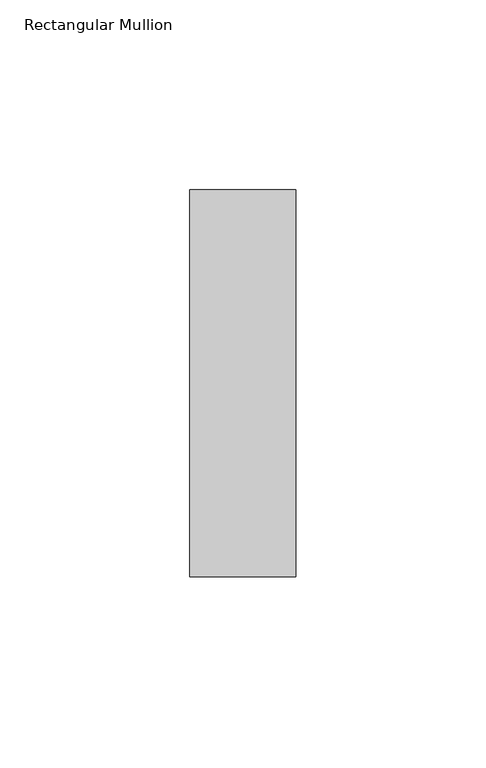
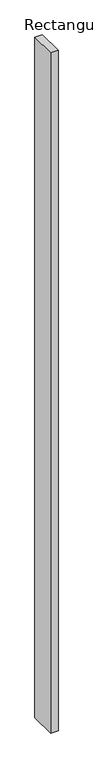
"""IFC4 building model written with IfcOpenShell, lengths in millimetres: member geometry, Rectangular Mullion."""

from ifc_helpers import new_model, si_unit, frame, origin, place, context, project, spatial, polyline, outline, extrude, source, transform, mapped, element, save


def rectangular_mullion_e0538f1d(model_context):
    return source(origin(), model_context, "Body", "SweptSolid", [
        extrude(outline(polyline([(0.0, -51.0), (-28.0, -51.0), (-28.0, 51.0), (0.0, 51.0), (0.0, -51.0)])), frame((0.0, 0.0, -2700.0), z_axis=(0.0, 0.0, 1.0), x_axis=(1.0, 0.0, 0.0)), (0.0, 0.0, 1.0), 2700.0),
    ])


if __name__ == "__main__":
    model = new_model("IFC4")
    model_context = context("Model", 3, world=origin())
    ifc_project = project(units=[si_unit("LENGTHUNIT", "METRE", prefix="MILLI")], contexts=[model_context])
    site = spatial("IfcSite", under=ifc_project)
    building = spatial("IfcBuilding", under=site)
    placement = place(None, origin())
    rectangular_mullion_shape = rectangular_mullion_e0538f1d(model_context)
    element("IfcMember", 1, ObjectType="Rectangular Mullion", at=placement, inside=building, context=model_context, shape_type="MappedRepresentation", body=[
        mapped(rectangular_mullion_shape, transform((0.0, 0.0, 0.0), x_axis=(1.0, 0.0, 0.0), y_axis=(0.0, 1.0, 0.0), z_axis=(0.0, 0.0, 1.0))),
    ])
    save(model, "model.ifc")
